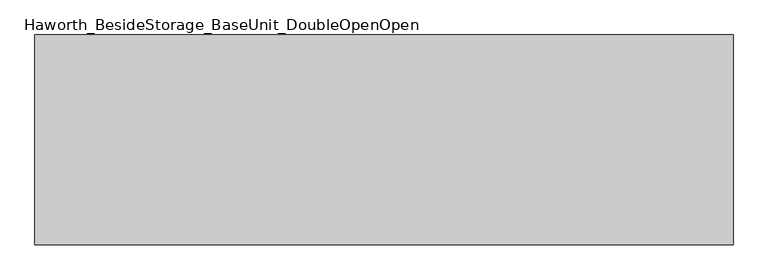
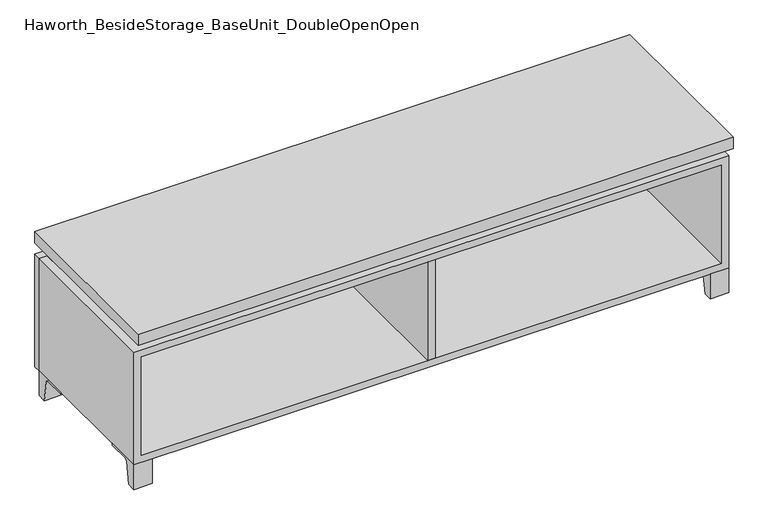
"""IFC4 building model written with IfcOpenShell, lengths in millimetres: furniture geometry, Haworth_BesideStorage_BaseUnit_DoubleOpenOpen."""

import ifcopenshell
import ifcopenshell.guid

model = None  # the IFC model being written
_history = None  # IfcOwnerHistory: only IFC2X3 demands one
_inside = {}  # id of a spatial element -> (the spatial element, [elements in it])
_under = {}  # id of a project, library or spatial element -> (it, [spatial elements below it])
_declared = {}  # id of a project -> (the project, [libraries it declares])
_typed = {}  # id of a type object -> (the type object, [elements of that type])
_made_of = {}  # id of a material, layer set ... -> (it, [elements and type objects made of it])


def new_model(schema):
    """Start an empty IFC model of exactly this schema.

    Asked for "IFC4X3", IfcOpenShell would pick the latest addendum, in which some entities
    have other attributes; the version numbers below select the first issue.
    IFC2X3 requires an IfcOwnerHistory on every rooted entity: one is made here for all.
    """
    global model, _history
    if schema == "IFC4X3":
        model = ifcopenshell.file(schema_version=(4, 3, 0, 0))
    else:
        model = ifcopenshell.file(schema=schema)
    _inside.clear()
    _under.clear()
    _declared.clear()
    _typed.clear()
    _made_of.clear()
    _history = None
    if model.schema == "IFC2X3":
        org = make("IfcOrganization", Name="unknown")
        user = make(
            "IfcPersonAndOrganization",
            ThePerson=make("IfcPerson", FamilyName="unknown"),
            TheOrganization=org,
        )
        app = make(
            "IfcApplication",
            ApplicationDeveloper=org,
            Version="unknown",
            ApplicationFullName="unknown",
            ApplicationIdentifier="unknown",
        )
        _history = make(
            "IfcOwnerHistory",
            OwningUser=user,
            OwningApplication=app,
            ChangeAction="ADDED",
            CreationDate=0,
        )
    return model


def make(cls, **values):
    """One entity of the class cls with the attributes given. An attribute that is None is left unset."""
    return model.create_entity(
        cls, **{name: value for name, value in values.items() if value is not None}
    )


def rooted(cls, **values):
    """An entity with a GlobalId (a new one), such as an element, a storey or a relation."""
    return make(cls, GlobalId=ifcopenshell.guid.new(), OwnerHistory=_history, **values)


def si_unit(unit_type, name, prefix=None):
    """IfcSIUnit, for example si_unit("LENGTHUNIT", "METRE", prefix="MILLI")."""
    return make("IfcSIUnit", UnitType=unit_type, Prefix=prefix, Name=name)


def assignment(units):
    """IfcUnitAssignment: the units of a project."""
    return None if units is None else make("IfcUnitAssignment", Units=units)


def point(xyz):
    """IfcCartesianPoint."""
    return None if xyz is None else make("IfcCartesianPoint", Coordinates=xyz)


def direction(xyz):
    """IfcDirection."""
    return None if xyz is None else make("IfcDirection", DirectionRatios=xyz)


def frame(location, z_axis=None, x_axis=None):
    """IfcAxis2Placement3D, a coordinate frame: its origin and axes. An axis left out is left unset."""
    return make(
        "IfcAxis2Placement3D",
        Location=point(location),
        Axis=direction(z_axis),
        RefDirection=direction(x_axis),
    )


def frame_2d(location, x_axis=None):
    """IfcAxis2Placement2D, a coordinate frame in the plane: its origin and x axis."""
    return make(
        "IfcAxis2Placement2D", Location=point(location), RefDirection=direction(x_axis)
    )


def origin():
    """The frame at (0, 0, 0) with its axes left unset."""
    return frame((0.0, 0.0, 0.0))


def place(relative_to, where):
    """IfcLocalPlacement: puts the frame where relative to a parent placement (None: the world)."""
    return make(
        "IfcLocalPlacement", PlacementRelTo=relative_to, RelativePlacement=where
    )


def context(
    kind, dimensions, precision=None, world=None, true_north=None, identifier=None
):
    """IfcGeometricRepresentationContext, for example the 3D "Model" context."""
    return make(
        "IfcGeometricRepresentationContext",
        ContextIdentifier=identifier,
        ContextType=kind,
        CoordinateSpaceDimension=dimensions,
        Precision=precision,
        WorldCoordinateSystem=world,
        TrueNorth=true_north,
    )


def project(units=None, contexts=None):
    """IfcProject with its units and contexts."""
    return rooted(
        "IfcProject",
        Name="project",
        RepresentationContexts=contexts,
        UnitsInContext=assignment(units),
    )


def spatial(cls, under=None, at=None, **own):
    """A site, building, storey or space (cls), placed at a placement, below another one or the project."""
    s = rooted(cls, ObjectPlacement=at, **own)
    if under is not None:
        _under.setdefault(under.id(), (under, []))[1].append(s)
    return s


def polyline(points):
    """IfcPolyline through the points."""
    return make("IfcPolyline", Points=[point(p) for p in points])


def circle_curve(where, radius):
    """IfcCircle in the frame where."""
    return make("IfcCircle", Position=where, Radius=radius)


def trimmed(basis, trim1, trim2, sense, master):
    """IfcTrimmedCurve: the piece of a basis curve between two trims."""
    return make(
        "IfcTrimmedCurve",
        BasisCurve=basis,
        Trim1=trim1,
        Trim2=trim2,
        SenseAgreement=sense,
        MasterRepresentation=master,
    )


def segment(curve, same_sense, transition):
    """IfcCompositeCurveSegment."""
    return make(
        "IfcCompositeCurveSegment",
        Transition=transition,
        SameSense=same_sense,
        ParentCurve=curve,
    )


def composite_curve(segments, self_intersect=None):
    """IfcCompositeCurve: segments joined end to end."""
    return make("IfcCompositeCurve", Segments=segments, SelfIntersect=self_intersect)


def outline(outer, holes=None, kind="AREA"):
    """IfcArbitraryClosedProfileDef: a profile drawn as a closed curve; with holes, ...WithVoids."""
    if holes is None:
        return make("IfcArbitraryClosedProfileDef", ProfileType=kind, OuterCurve=outer)
    return make(
        "IfcArbitraryProfileDefWithVoids",
        ProfileType=kind,
        OuterCurve=outer,
        InnerCurves=holes,
    )


def extrude(swept, where, along, depth):
    """IfcExtrudedAreaSolid: the profile swept, set in the frame where, extruded along a direction by depth."""
    return make(
        "IfcExtrudedAreaSolid",
        SweptArea=swept,
        Position=where,
        ExtrudedDirection=direction(along),
        Depth=depth,
    )


def faces_of(points, faces, orient=None, outer=None):
    """IfcFace entities. A face is a list of loops; a loop is a list of indices into points, from 0.

    orient and outer hold one flag for each loop. By default every Orientation is true, the
    first loop of a face is its IfcFaceOuterBound and the others are IfcFaceBound.
    """
    made = []
    for i, loops in enumerate(faces):
        bounds = []
        for j, loop in enumerate(loops):
            is_outer = j == 0 if outer is None else outer[i][j]
            bounds.append(
                make(
                    "IfcFaceOuterBound" if is_outer else "IfcFaceBound",
                    Bound=make("IfcPolyLoop", Polygon=[points[k] for k in loop]),
                    Orientation=True if orient is None else orient[i][j],
                )
            )
        made.append(make("IfcFace", Bounds=bounds))
    return made


def faceted_brep(points, faces, orient=None, outer=None, voids=None):
    """IfcFacetedBrep: a solid bounded by flat faces; with voids (closed shells), ...WithVoids."""
    shared = [point(p) for p in points]
    hull = make("IfcClosedShell", CfsFaces=faces_of(shared, faces, orient, outer))
    if voids is None:
        return make("IfcFacetedBrep", Outer=hull)
    return make(
        "IfcFacetedBrepWithVoids",
        Outer=hull,
        Voids=[
            make(cls, CfsFaces=faces_of(shared, fs, o, b)) for cls, fs, o, b in voids
        ],
    )


def shape(context_of_items, identifier, shape_type, items):
    """IfcShapeRepresentation: the items that make up one representation, for example the "Body"."""
    return make(
        "IfcShapeRepresentation",
        ContextOfItems=context_of_items,
        RepresentationIdentifier=identifier,
        RepresentationType=shape_type,
        Items=items,
    )


def source(mapping_origin, context_of_items, identifier, shape_type, items):
    """IfcRepresentationMap: a shape defined once, which mapped items show again and again."""
    return make(
        "IfcRepresentationMap",
        MappingOrigin=mapping_origin,
        MappedRepresentation=shape(context_of_items, identifier, shape_type, items),
    )


def transform(
    local_origin,
    x_axis=None,
    y_axis=None,
    z_axis=None,
    scale=None,
    scale2=None,
    scale3=None,
    uniform=True,
):
    """IfcCartesianTransformationOperator3D, or its non-uniform kind. x_axis, y_axis, z_axis: its Axis1, 2, 3."""
    if uniform:
        return make(
            "IfcCartesianTransformationOperator3D",
            Axis1=direction(x_axis),
            Axis2=direction(y_axis),
            LocalOrigin=point(local_origin),
            Scale=scale,
            Axis3=direction(z_axis),
        )
    return make(
        "IfcCartesianTransformationOperator3DnonUniform",
        Axis1=direction(x_axis),
        Axis2=direction(y_axis),
        LocalOrigin=point(local_origin),
        Scale=scale,
        Axis3=direction(z_axis),
        Scale2=scale2,
        Scale3=scale3,
    )


def mapped(mapping_source, mapping_target):
    """IfcMappedItem: shows the shape of a source again, moved by a transform."""
    return make(
        "IfcMappedItem", MappingSource=mapping_source, MappingTarget=mapping_target
    )


def made_of(thing, what):
    """Note that an element or type object is made of a material, layer set ...; save() writes the relation."""
    if what is not None:
        _made_of.setdefault(what.id(), (what, []))[1].append(thing)
    return thing


def element(
    cls,
    number,
    at=None,
    inside=None,
    cuts=None,
    type_object=None,
    material=None,
    context=None,
    identifier="Body",
    shape_type=None,
    held_by="IfcProductDefinitionShape",
    body=None,
    shapes=None,
    **own,
):
    """One element of the class cls, such as IfcWall. Its Tag is "e" and its number.

    at: its placement. inside: the storey or other place that contains it. cuts: it is an
    opening in that element (IfcRelVoidsElement). A single representation is given by context,
    identifier, shape_type and body (its items); several are given by shapes. held_by: the class
    of the entity that holds the representations. save() writes the other relations.
    """
    e = rooted(cls, Tag="e%d" % number, ObjectPlacement=at, **own)
    if body is not None:
        shapes = [shape(context, identifier, shape_type, body)]
    if shapes is not None:
        e.Representation = make(held_by, Representations=shapes)
    if inside is not None:
        _inside.setdefault(inside.id(), (inside, []))[1].append(e)
    if cuts is not None:
        rooted(
            "IfcRelVoidsElement", RelatingBuildingElement=cuts, RelatedOpeningElement=e
        )
    if type_object is not None:
        _typed.setdefault(type_object.id(), (type_object, []))[1].append(e)
    return made_of(e, material)


def aggregate(whole, parts):
    """IfcRelAggregates: a whole, such as a stair, and the parts it consists of."""
    return rooted("IfcRelAggregates", RelatingObject=whole, RelatedObjects=parts)


def save(model, path):
    """Write the relations noted so far, then the file.

    IfcRelAggregates (storeys below a building ...), IfcRelContainedInSpatialStructure (elements
    in a storey), IfcRelDefinesByType, IfcRelAssociatesMaterial and IfcRelDeclares: one each for
    every whole, place, type object, material and project.
    """
    for whole, parts in _under.values():
        aggregate(whole, parts)
    for where, things in _inside.values():
        rooted(
            "IfcRelContainedInSpatialStructure",
            RelatedElements=things,
            RelatingStructure=where,
        )
    for kind, things in _typed.values():
        rooted("IfcRelDefinesByType", RelatedObjects=things, RelatingType=kind)
    for what, things in _made_of.values():
        rooted("IfcRelAssociatesMaterial", RelatedObjects=things, RelatingMaterial=what)
    for by, libraries in _declared.values():
        rooted("IfcRelDeclares", RelatingContext=by, RelatedDefinitions=libraries)
    model.write(path)


def haworth_besidestorage_baseunit_doubleopenopen_8d29a195(model_context):
    return source(origin(), model_context, "Body", "SolidModel", [
        extrude(outline(composite_curve([segment(polyline([(44.9791531, 0.0), (22.225, 0.0), (22.225, 66.675), (117.475, 66.675), (117.475, 61.8963321), (60.6744655, 61.8963321)]), True, "CONTINUOUS"), segment(trimmed(circle_curve(frame_2d((60.6744655, 55.5463321)), 6.35), [point((60.6744655, 61.8963321))], [point((54.4108641, 56.5902656))], True, "CARTESIAN"), True, "CONTINUOUS"), segment(polyline([(54.4108641, 56.5902656), (44.9791531, 0.0)]), True, "CONTINUOUS")], self_intersect=False)), frame((-23.7986094, 0.0, 0.0), z_axis=(1.0, 0.0, 0.0), x_axis=(0.0, 1.0, 0.0)), (0.0, 0.0, 1.0), 47.625),
        extrude(outline(composite_curve([segment(polyline([(-123.2958469, 0.0), (-146.05, 0.0), (-146.05, 66.675), (-50.8, 66.675), (-50.8, 61.8963321), (-107.6005345, 61.8963321)]), True, "CONTINUOUS"), segment(trimmed(circle_curve(frame_2d((-107.6005345, 55.5463321)), 6.35), [point((-107.6005345, 61.8963321))], [point((-113.8641359, 56.5902656))], True, "CARTESIAN"), True, "CONTINUOUS"), segment(polyline([(-113.8641359, 56.5902656), (-123.2958469, 0.0)]), True, "CONTINUOUS")], self_intersect=False)), frame((712.8013906, 0.0, 0.0), z_axis=(1.0, 0.0, 0.0), x_axis=(0.0, 1.0, 0.0)), (0.0, 0.0, 1.0), 47.625),
        extrude(outline(composite_curve([segment(polyline([(250.2958469, 0.0), (240.8641359, 56.5902656)]), True, "CONTINUOUS"), segment(trimmed(circle_curve(frame_2d((234.6005345, 55.5463321)), 6.35), [point((240.8641359, 56.5902656))], [point((234.6005345, 61.8963321))], True, "CARTESIAN"), True, "CONTINUOUS"), segment(polyline([(234.6005345, 61.8963321), (177.8, 61.8963321), (177.8, 66.675), (273.05, 66.675), (273.05, 0.0), (250.2958469, 0.0)]), True, "CONTINUOUS")], self_intersect=False)), frame((712.8013906, 0.0, 0.0), z_axis=(1.0, 0.0, 0.0), x_axis=(0.0, 1.0, 0.0)), (0.0, 0.0, 1.0), 47.625),
        extrude(outline(composite_curve([segment(polyline([(-123.2958469, 0.0), (-146.05, 0.0), (-146.05, 66.675), (-50.8, 66.675), (-50.8, 61.8963321), (-107.6005345, 61.8963321)]), True, "CONTINUOUS"), segment(trimmed(circle_curve(frame_2d((-107.6005345, 55.5463321)), 6.35), [point((-107.6005345, 61.8963321))], [point((-113.8641359, 56.5902656))], True, "CARTESIAN"), True, "CONTINUOUS"), segment(polyline([(-113.8641359, 56.5902656), (-123.2958469, 0.0)]), True, "CONTINUOUS")], self_intersect=False)), frame((-760.3986094, 0.0, 0.0), z_axis=(1.0, 0.0, 0.0), x_axis=(0.0, 1.0, 0.0)), (0.0, 0.0, 1.0), 47.625),
        extrude(outline(composite_curve([segment(polyline([(250.2958469, 0.0), (240.8641359, 56.5902656)]), True, "CONTINUOUS"), segment(trimmed(circle_curve(frame_2d((234.6005345, 55.5463321)), 6.35), [point((240.8641359, 56.5902656))], [point((234.6005345, 61.8963321))], True, "CARTESIAN"), True, "CONTINUOUS"), segment(polyline([(234.6005345, 61.8963321), (177.8, 61.8963321), (177.8, 66.675), (273.05, 66.675), (273.05, 0.0), (250.2958469, 0.0)]), True, "CONTINUOUS")], self_intersect=False)), frame((-760.3986094, 0.0, 0.0), z_axis=(1.0, 0.0, 0.0), x_axis=(0.0, 1.0, 0.0)), (0.0, 0.0, 1.0), 47.625),
        faceted_brep([(-760.3986094, -146.05, 66.675), (760.4125, -146.05, 66.675), (760.4125, -146.05, 371.475), (-760.3986094, -146.05, 371.475), (-741.3486094, -146.05, 85.725), (-741.3486094, -146.05, 352.425), (741.3694453, -146.05, 352.425), (741.3486094, -146.05, 85.725), (-760.3986094, 273.05, 66.675), (-760.3986094, 273.05, 371.475), (-741.3486094, 273.05, 371.475), (-741.3486094, 273.05, 85.725), (741.3486094, 273.05, 85.725), (741.3486094, 273.05, 371.475), (760.4125, 273.05, 371.475), (760.4125, 273.05, 66.675), (741.3486094, 247.65, 371.475), (-741.3416641, 247.65, 371.475), (-741.3486094, 247.65, 352.425), (741.3486094, 247.65, 352.425)], [[[0, 1, 2, 3], [4, 5, 6, 7]], [[8, 9, 10, 11, 12, 13, 14, 15]], [[1, 0, 8, 15]], [[2, 1, 15, 14]], [[3, 2, 14, 13, 16, 17, 10, 9]], [[0, 3, 9, 8]], [[11, 10, 17, 18, 5, 4]], [[13, 12, 7, 6, 19, 16]], [[4, 7, 12, 11]], [[6, 5, 18, 19]], [[17, 16, 19, 18]]]),
        extrude(outline(polyline([(760.4263906, -165.1), (-760.3986094, -165.1), (-760.3986094, 292.1), (760.4263906, 292.1), (760.4263906, -165.1)])), frame((0.0, 0.0, 401.6375), z_axis=(0.0, 0.0, 1.0), x_axis=(1.0, 0.0, 0.0)), (0.0, 0.0, 1.0), 30.1625),
        faceted_brep([(7.9513906, -69.85, 401.6375), (7.9513906, -69.85, 371.475), (7.9513906, 53.975, 371.475), (7.9513906, 53.975, 401.6375), (7.9513906, 196.85, 371.475), (7.9513906, 196.85, 401.6375), (7.9513906, 73.025, 401.6375), (7.9513906, 73.025, 371.475), (-7.9236094, 196.85, 401.6375), (-7.9236094, 196.85, 371.475), (-7.9236094, 73.025, 371.475), (-7.9236094, 73.025, 401.6375), (-7.9236094, -69.85, 371.475), (-7.9236094, -69.85, 401.6375), (-7.9236094, 53.975, 401.6375), (-7.9236094, 53.975, 371.475), (-719.0958281, 73.025, 401.6375), (-719.1166641, 247.65, 401.6375), (-734.9916641, 247.65, 401.6375), (-734.9916641, -120.65, 401.6375), (-719.1166641, -120.65, 401.6375), (-719.1166641, 53.975, 401.6375), (719.1236094, 53.975, 401.6375), (719.1236094, -120.65, 401.6375), (734.9986094, -120.65, 401.6375), (734.9986094, 247.65, 401.6375), (719.1236094, 247.65, 401.6375), (719.1236094, 73.025, 401.6375), (-719.0958281, 53.975, 371.475), (-719.1166641, -120.65, 371.475), (-734.9916641, -120.65, 371.475), (-734.9916641, 247.65, 371.475), (-719.1166641, 247.65, 371.475), (-719.1166641, 73.025, 371.475), (719.1236094, 73.025, 371.475), (719.1236094, 247.65, 371.475), (734.9986094, 247.65, 371.475), (734.9986094, -120.65, 371.475), (719.1236094, -120.65, 371.475), (719.1236094, 53.975, 371.475)], [[[0, 1, 2, 3]], [[4, 5, 6, 7]], [[8, 9, 10, 11]], [[12, 13, 14, 15]], [[5, 8, 11, 16, 17, 18, 19, 20, 21, 14, 13, 0, 3, 22, 23, 24, 25, 26, 27, 6]], [[1, 12, 15, 28, 29, 30, 31, 32, 33, 10, 9, 4, 7, 34, 35, 36, 37, 38, 39, 2]], [[5, 4, 9, 8]], [[1, 0, 13, 12]], [[6, 27, 34, 7]], [[22, 3, 2, 39]], [[20, 29, 28, 21]], [[32, 17, 16, 33]], [[18, 31, 30, 19]], [[29, 20, 19, 30]], [[17, 32, 31, 18]], [[26, 35, 34, 27]], [[38, 23, 22, 39]], [[25, 24, 37, 36]], [[23, 38, 37, 24]], [[35, 26, 25, 36]], [[16, 11, 10, 33]], [[14, 21, 28, 15]]]),
        extrude(outline(polyline([(9.5388906, 203.2), (9.5388906, -146.05), (-9.5111094, -146.05), (-9.5111094, 203.2), (9.5388906, 203.2)])), frame((0.0, 0.0, 85.725), z_axis=(0.0, 0.0, 1.0), x_axis=(1.0, 0.0, 0.0)), (0.0, 0.0, 1.0), 266.7),
        extrude(outline(polyline([(760.4263906, 273.05), (-760.3986094, 273.05), (-760.3986094, 292.1), (760.4263906, 292.1), (760.4263906, 273.05)])), frame((0.0, 0.0, 66.675), z_axis=(0.0, 0.0, 1.0), x_axis=(1.0, 0.0, 0.0)), (0.0, 0.0, 1.0), 304.8),
        extrude(outline(polyline([(-741.3416641, 203.2), (-741.3416641, 209.55), (741.3694453, 209.55), (741.3694453, 203.2), (-741.3416641, 203.2)])), frame((0.0, 0.0, 85.725), z_axis=(0.0, 0.0, 1.0), x_axis=(1.0, 0.0, 0.0)), (0.0, 0.0, 1.0), 266.7),
    ])


if __name__ == "__main__":
    model = new_model("IFC4")
    model_context = context("Model", 3, world=origin())
    ifc_project = project(units=[si_unit("LENGTHUNIT", "METRE", prefix="MILLI")], contexts=[model_context])
    site = spatial("IfcSite", under=ifc_project)
    building = spatial("IfcBuilding", under=site)
    placement = place(None, origin())
    haworth_besidestorage_baseunit_doubleopenopen_shape = haworth_besidestorage_baseunit_doubleopenopen_8d29a195(model_context)
    element("IfcFurniture", 1, ObjectType="Haworth_BesideStorage_BaseUnit_DoubleOpenOpen", at=placement, inside=building, context=model_context, shape_type="MappedRepresentation", body=[
        mapped(haworth_besidestorage_baseunit_doubleopenopen_shape, transform((0.0, 0.0, 0.0), x_axis=(1.0, 0.0, 0.0), y_axis=(0.0, 1.0, 0.0), z_axis=(0.0, 0.0, 1.0))),
    ])
    save(model, "model.ifc")
